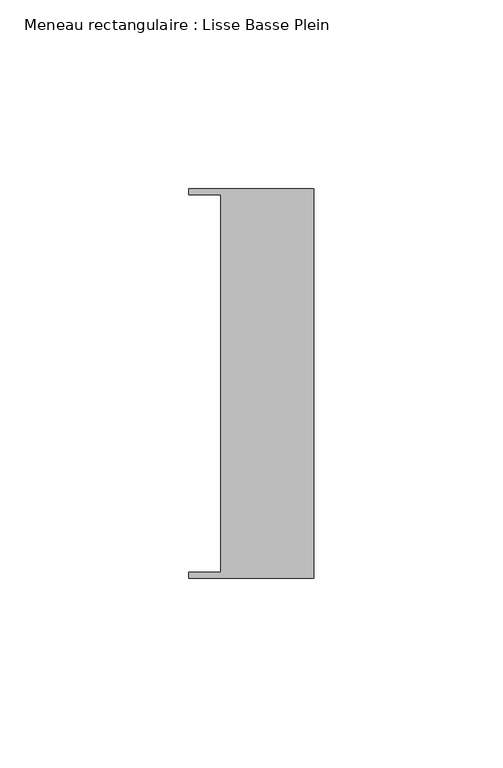
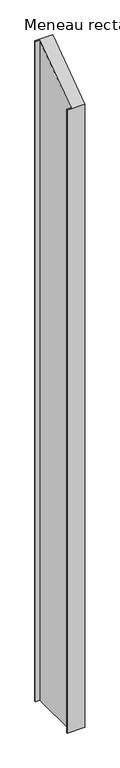
"""IFC4 building model written with IfcOpenShell, lengths in millimetres: member geometry, Meneau rectangulaire : Lisse Basse Plein."""

from ifc_helpers import new_model, si_unit, origin, place, context, project, spatial, faceted_brep, source, transform, mapped, element, save


def meneau_rectangulaire_lisse_basse_plein_f59c62de(model_context):
    return source(origin(), model_context, "Body", "Brep", [
        faceted_brep([(0.0, -51.5026203, -1254.2000003), (-33.0710396, -51.5026203, -1254.2000003), (-33.0710396, -49.9505686, -1254.2000003), (-24.7130865, -49.9505686, -1254.2000003), (-24.7130865, 49.9505686, -1254.2000003), (-33.0710396, 49.9505686, -1254.2000003), (-33.0710396, 51.5026203, -1254.2000003), (0.0, 51.5026203, -1254.2000003), (0.0, 51.5026203, 36.736462), (0.0, -51.5026203, -36.736462), (-33.0710396, 51.5026203, 36.736462), (-33.0710396, 49.9505686, 35.6293943), (-24.7130865, 49.9505686, 35.6293943), (-24.7130865, -49.9505686, -35.6293943), (-33.0710396, -49.9505686, -35.6293943), (-33.0710396, -51.5026203, -36.736462)], [[[0, 1, 2, 3, 4, 5, 6, 7]], [[8, 9, 0, 7]], [[10, 8, 7, 6]], [[11, 10, 6, 5]], [[12, 11, 5, 4]], [[13, 12, 4, 3]], [[14, 13, 3, 2]], [[15, 14, 2, 1]], [[9, 15, 1, 0]], [[9, 8, 10, 11, 12, 13, 14, 15]]]),
    ])


if __name__ == "__main__":
    model = new_model("IFC4")
    model_context = context("Model", 3, world=origin())
    ifc_project = project(units=[si_unit("LENGTHUNIT", "METRE", prefix="MILLI")], contexts=[model_context])
    site = spatial("IfcSite", under=ifc_project)
    building = spatial("IfcBuilding", under=site)
    placement = place(None, origin())
    meneau_rectangulaire_lisse_basse_plein_shape = meneau_rectangulaire_lisse_basse_plein_f59c62de(model_context)
    element("IfcMember", 1, ObjectType="Meneau rectangulaire : Lisse Basse Plein", at=placement, inside=building, context=model_context, shape_type="MappedRepresentation", body=[
        mapped(meneau_rectangulaire_lisse_basse_plein_shape, transform((0.0, 0.0, 0.0), x_axis=(1.0, 0.0, 0.0), y_axis=(0.0, 1.0, 0.0), z_axis=(0.0, 0.0, 1.0))),
    ])
    save(model, "model.ifc")
